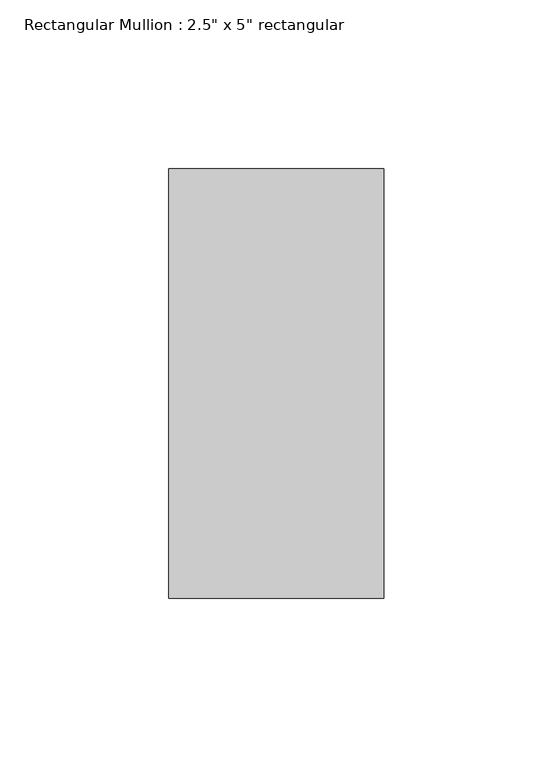
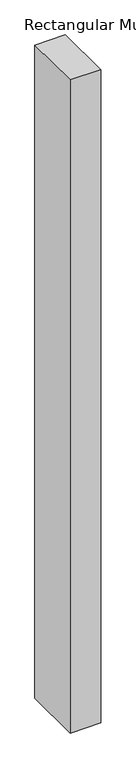
"""IFC4 building model written with IfcOpenShell, lengths in millimetres: member geometry."""

from ifc_helpers import new_model, si_unit, frame, origin, place, context, project, spatial, polyline, outline, extrude, source, transform, mapped, element, save


def member_75ef91da(model_context):
    return source(origin(), model_context, "Body", "SweptSolid", [
        extrude(outline(polyline([(0.0, 63.5), (0.0, -63.5), (-63.5, -63.5), (-63.5, 63.5), (0.0, 63.5)])), frame((0.0, 0.0, -1438.0679943), z_axis=(0.0, 0.0, 1.0), x_axis=(1.0, 0.0, 0.0)), (0.0, 0.0, 1.0), 1438.0679943),
    ])


if __name__ == "__main__":
    model = new_model("IFC4")
    model_context = context("Model", 3, world=origin())
    ifc_project = project(units=[si_unit("LENGTHUNIT", "METRE", prefix="MILLI")], contexts=[model_context])
    site = spatial("IfcSite", under=ifc_project)
    building = spatial("IfcBuilding", under=site)
    placement = place(None, origin())
    member_shape = member_75ef91da(model_context)
    element("IfcMember", 1, ObjectType="Rectangular Mullion : 2.5\" x 5\" rectangular", at=placement, inside=building, context=model_context, shape_type="MappedRepresentation", body=[
        mapped(member_shape, transform((0.0, 0.0, 0.0), x_axis=(1.0, 0.0, 0.0), y_axis=(0.0, 1.0, 0.0), z_axis=(0.0, 0.0, 1.0))),
    ])
    save(model, "model.ifc")
